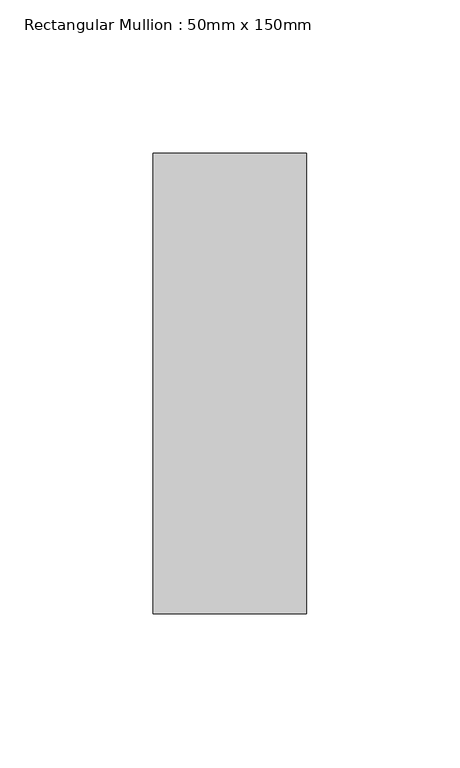
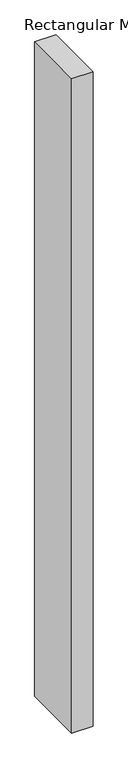
"""IFC4 building model written with IfcOpenShell, lengths in millimetres: member geometry, Rectangular Mullion : 50mm x 150mm."""

from ifc_helpers import new_model, si_unit, frame, origin, place, context, project, spatial, polyline, outline, extrude, source, transform, mapped, element, save


def rectangular_mullion_50mm_x_150mm_aafbab9c(model_context):
    return source(origin(), model_context, "Body", "SweptSolid", [
        extrude(outline(polyline([(0.0, 75.0), (0.0, -75.0), (-50.0, -75.0), (-50.0, 75.0), (0.0, 75.0)])), frame((0.0, 0.0, -1621.1800418), z_axis=(0.0, 0.0, 1.0), x_axis=(1.0, 0.0, 0.0)), (0.0, 0.0, 1.0), 1621.1800418),
    ])


if __name__ == "__main__":
    model = new_model("IFC4")
    model_context = context("Model", 3, world=origin())
    ifc_project = project(units=[si_unit("LENGTHUNIT", "METRE", prefix="MILLI")], contexts=[model_context])
    site = spatial("IfcSite", under=ifc_project)
    building = spatial("IfcBuilding", under=site)
    placement = place(None, origin())
    rectangular_mullion_50mm_x_150mm_shape = rectangular_mullion_50mm_x_150mm_aafbab9c(model_context)
    element("IfcMember", 1, ObjectType="Rectangular Mullion : 50mm x 150mm", at=placement, inside=building, context=model_context, shape_type="MappedRepresentation", body=[
        mapped(rectangular_mullion_50mm_x_150mm_shape, transform((0.0, 0.0, 0.0), x_axis=(1.0, 0.0, 0.0), y_axis=(0.0, 1.0, 0.0), z_axis=(0.0, 0.0, 1.0))),
    ])
    save(model, "model.ifc")
